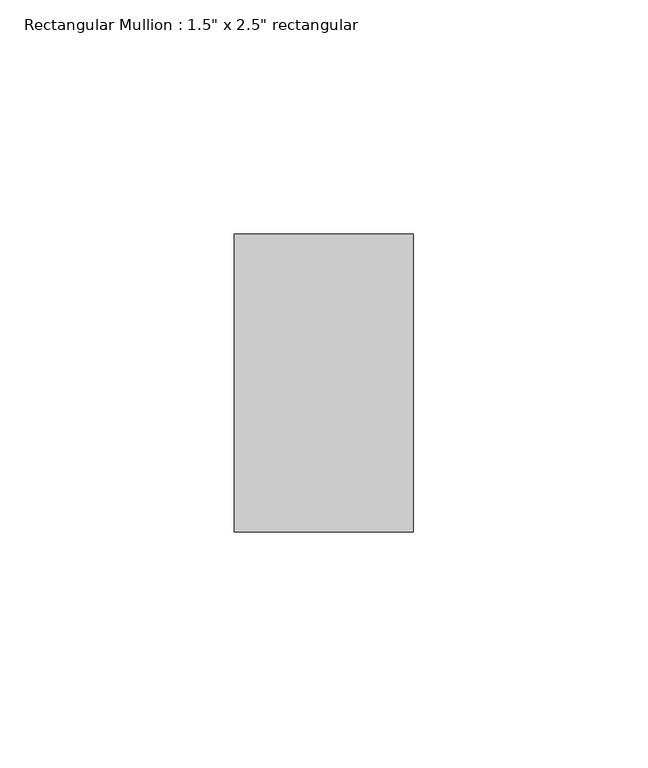
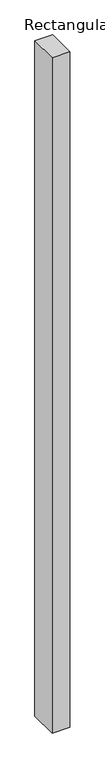
"""IFC4 building model written with IfcOpenShell, lengths in millimetres: member geometry."""

from ifc_helpers import new_model, si_unit, frame, origin, place, context, project, spatial, polyline, outline, extrude, source, transform, mapped, element, save


def member_bf765f53(model_context):
    return source(origin(), model_context, "Body", "SweptSolid", [
        extrude(outline(polyline([(19.05, -19.05), (19.05, -82.55), (-19.05, -82.55), (-19.05, -19.05), (19.05, -19.05)])), frame((0.0, 0.0, -1530.35), z_axis=(0.0, 0.0, 1.0), x_axis=(1.0, 0.0, 0.0)), (0.0, 0.0, 1.0), 1530.35),
    ])


if __name__ == "__main__":
    model = new_model("IFC4")
    model_context = context("Model", 3, world=origin())
    ifc_project = project(units=[si_unit("LENGTHUNIT", "METRE", prefix="MILLI")], contexts=[model_context])
    site = spatial("IfcSite", under=ifc_project)
    building = spatial("IfcBuilding", under=site)
    placement = place(None, origin())
    member_shape = member_bf765f53(model_context)
    element("IfcMember", 1, ObjectType="Rectangular Mullion : 1.5\" x 2.5\" rectangular", at=placement, inside=building, context=model_context, shape_type="MappedRepresentation", body=[
        mapped(member_shape, transform((0.0, 0.0, 0.0), x_axis=(1.0, 0.0, 0.0), y_axis=(0.0, 1.0, 0.0), z_axis=(0.0, 0.0, 1.0))),
    ])
    save(model, "model.ifc")
